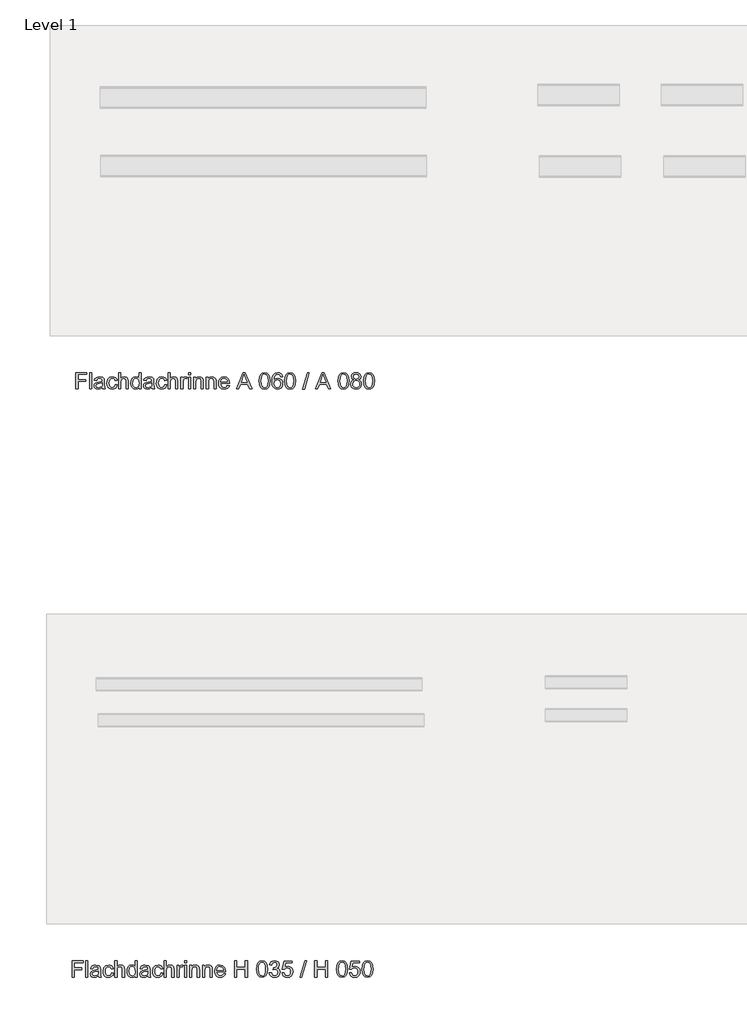
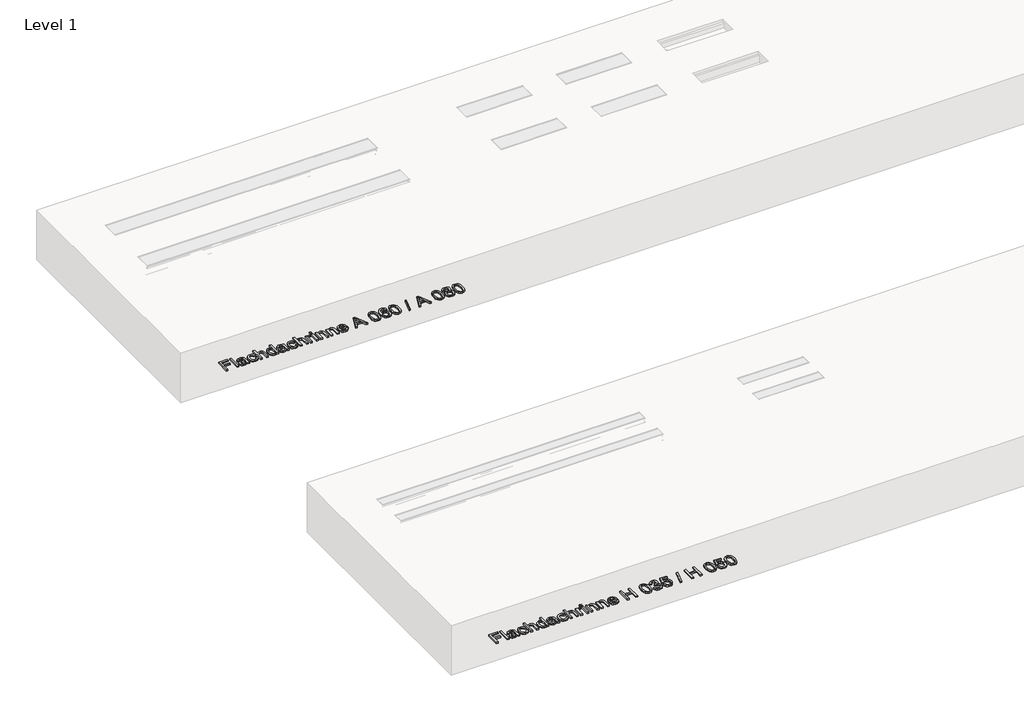
# One storey, part 2 of 3: 2 proxies.
"""IFC4 building model written with IfcOpenShell, lengths in millimetres."""

from ifc_helpers import new_model, si_unit, origin, origin_with_axes, place, context, project, spatial, polyline, outline, extrude, element, save

model = new_model("IFC4")

# Units and contexts
model_context = context("Model", 3, world=origin())
ifc_project = project(units=[si_unit("LENGTHUNIT", "METRE", prefix="MILLI")], contexts=[model_context])

# Site, building, storey
site = spatial("IfcSite", under=ifc_project)
building = spatial("IfcBuilding", under=site)
storey = spatial("IfcBuildingStorey", under=building, Name="Level 1", Elevation=0.0)

# Proxies
placement = place(None, origin())
element("IfcBuildingElementProxy", 1, Name="100mm ACO", ObjectType="100mm ACO", at=placement, inside=storey, context=model_context, shape_type="SweptSolid", body=[
    extrude(outline(polyline([(-10322.786212, 713.7383371), (-10376.8038059, 713.7383371), (-10376.8038059, 682.072851), (-10330.2369146, 682.072851), (-10330.2369146, 670.8967971), (-10376.8038059, 670.8967971), (-10376.8038059, 624.3299057), (-10389.8425355, 624.3299057), (-10389.8425355, 724.914391), (-10322.786212, 724.914391), (-10322.786212, 713.7383371)])), origin_with_axes(), (0.0, 0.0, 1.0), 10.0),
    extrude(outline(polyline([(-10292.9834015, 624.3299057), (-10306.0221311, 624.3299057), (-10306.0221311, 724.914391), (-10292.9834015, 724.914391), (-10292.9834015, 624.3299057)])), origin_with_axes(), (0.0, 0.0, 1.0), 10.0),
    extrude(outline(polyline([(-10211.0256727, 624.3299057), (-10224.0644023, 624.3299057), (-10227.7897536, 633.1194065), (-10240.3555382, 625.1302742), (-10253.8963171, 622.4672301), (-10263.940941, 623.9224454), (-10271.6062879, 628.2880915), (-10276.4630692, 635.0402907), (-10278.0819963, 643.6551656), (-10276.4958115, 652.0117398), (-10271.7372573, 658.7457489), (-10263.0568977, 663.6680148), (-10249.7052968, 666.5893596), (-10238.2964085, 668.3356181), (-10227.7897536, 670.8967971), (-10228.1244531, 678.9732423), (-10230.0744417, 683.877318), (-10235.2695605, 687.9664732), (-10244.9030862, 689.5235536), (-10257.0541344, 686.3657363), (-10263.180591, 674.6221484), (-10276.2193206, 676.2228853), (-10272.6431289, 686.0892454), (-10265.930948, 693.161592), (-10256.0900542, 697.4180969), (-10243.1277234, 698.8369319), (-10223.7588071, 694.9515069), (-10216.1625829, 685.57992), (-10214.751024, 671.4497789), (-10214.751024, 654.8312196), (-10214.1980422, 634.4582046), (-10211.0256727, 624.3299057)]), holes=[polyline([(-10227.7897536, 656.9267297), (-10227.7897536, 661.5834188), (-10251.2041687, 656.2282263), (-10261.5834922, 652.1463472), (-10265.0432667, 643.8588958), (-10261.3179154, 635.1858123), (-10250.5784261, 631.7806083), (-10234.6729222, 637.4850525), (-10229.5105458, 645.1976939), (-10227.7897536, 656.9267297)])]), origin_with_axes(), (0.0, 0.0, 1.0), 10.0),
    extrude(outline(polyline([(-10134.6559709, 648.9230452), (-10138.7087457, 637.0484879), (-10145.9193377, 628.8410733), (-10155.2982007, 624.0606909), (-10165.8557881, 622.4672301), (-10180.255144, 625.0720656), (-10190.9728051, 632.886572), (-10197.6304154, 645.0012398), (-10199.8496188, 660.5065594), (-10194.7854694, 683.3243362), (-10182.1105436, 695.3589672), (-10166.1177269, 698.8369319), (-10155.5055689, 697.4144589), (-10146.5450803, 693.1470399), (-10139.971145, 686.1219877), (-10136.5186465, 676.4266154), (-10149.5573761, 674.6221484), (-10155.4946548, 685.7836502), (-10165.9722053, 689.5235536), (-10174.9799884, 687.6281356), (-10181.5139053, 681.9418816), (-10185.4866432, 672.8576998), (-10186.8108892, 660.7684982), (-10185.4830052, 648.4682904), (-10181.4993532, 639.333176), (-10175.0127307, 633.6687503), (-10166.1759355, 631.7806083), (-10153.5010097, 636.4372975), (-10147.6947005, 650.4073649), (-10134.6559709, 648.9230452)])), origin_with_axes(), (0.0, 0.0, 1.0), 10.0),
    extrude(outline(polyline([(-10067.5996473, 624.3299057), (-10080.6383769, 624.3299057), (-10080.6383769, 671.3042574), (-10084.3491761, 684.9687296), (-10095.4233649, 689.5235536), (-10108.4329902, 684.153809), (-10112.7331516, 676.6776401), (-10114.1665387, 664.9886227), (-10114.1665387, 624.3299057), (-10127.2052683, 624.3299057), (-10127.2052683, 724.914391), (-10114.1665387, 724.914391), (-10114.1665387, 688.8832589), (-10104.4093197, 696.3485136), (-10092.4838299, 698.8369319), (-10079.124953, 695.9556055), (-10070.1753785, 687.093344), (-10067.5996473, 670.4893368), (-10067.5996473, 624.3299057)])), origin_with_axes(), (0.0, 0.0, 1.0), 10.0),
    extrude(outline(polyline([(-9989.3672699, 624.3299057), (-10002.4059995, 624.3299057), (-10002.4059995, 632.5373203), (-10010.8098681, 624.9847526), (-10022.2551369, 622.4672301), (-10034.1915408, 625.1229981), (-10043.9815021, 633.0903022), (-10050.5190571, 645.2922829), (-10052.6982421, 660.652081), (-10050.6100081, 676.484824), (-10044.345306, 688.5922158), (-10034.6535717, 696.2757529), (-10022.2842412, 698.8369319), (-10010.9335614, 696.5376916), (-10002.6679382, 689.6399708), (-10002.4059995, 724.914391), (-9989.3672699, 724.914391), (-9989.3672699, 624.3299057)]), holes=[polyline([(-10020.7417129, 631.7806083), (-10013.6475381, 633.4977625), (-10007.7320877, 638.6492248), (-10003.7375215, 647.293204), (-10002.4059995, 659.4879087), (-10007.2809709, 681.3743476), (-10013.2146115, 687.4862521), (-10021.2655905, 689.5235536), (-10029.2583608, 687.5299086), (-10035.0173756, 681.5489735), (-10039.6595125, 660.6229767), (-10037.1565421, 644.7756815), (-10030.1715084, 635.0402907), (-10020.7417129, 631.7806083)])]), origin_with_axes(), (0.0, 0.0, 1.0), 10.0),
    extrude(outline(polyline([(-9907.4095411, 624.3299057), (-9920.4482707, 624.3299057), (-9924.173622, 633.1194065), (-9936.7394066, 625.1302742), (-9950.2801854, 622.4672301), (-9960.3248094, 623.9224454), (-9967.9901563, 628.2880915), (-9972.8469376, 635.0402907), (-9974.4658646, 643.6551656), (-9972.8796799, 652.0117398), (-9968.1211257, 658.7457489), (-9959.4407661, 663.6680148), (-9946.0891652, 666.5893596), (-9934.6802768, 668.3356181), (-9924.173622, 670.8967971), (-9924.5083215, 678.9732423), (-9926.4583101, 683.877318), (-9931.6534289, 687.9664732), (-9941.2869546, 689.5235536), (-9953.4380028, 686.3657363), (-9959.5644594, 674.6221484), (-9972.603189, 676.2228853), (-9969.0269973, 686.0892454), (-9962.3148164, 693.161592), (-9952.4739226, 697.4180969), (-9939.5115918, 698.8369319), (-9920.1426755, 694.9515069), (-9912.5464513, 685.57992), (-9911.1348924, 671.4497789), (-9911.1348924, 654.8312196), (-9910.5819106, 634.4582046), (-9907.4095411, 624.3299057)]), holes=[polyline([(-9924.173622, 656.9267297), (-9924.173622, 661.5834188), (-9947.588037, 656.2282263), (-9957.9673606, 652.1463472), (-9961.4271351, 643.8588958), (-9957.7017838, 635.1858123), (-9946.9622944, 631.7806083), (-9931.0567906, 637.4850525), (-9925.8944141, 645.1976939), (-9924.173622, 656.9267297)])]), origin_with_axes(), (0.0, 0.0, 1.0), 10.0),
    extrude(outline(polyline([(-9831.0398393, 648.9230452), (-9835.092614, 637.0484879), (-9842.3032061, 628.8410733), (-9851.6820691, 624.0606909), (-9862.2396565, 622.4672301), (-9876.6390124, 625.0720656), (-9887.3566735, 632.886572), (-9894.0142838, 645.0012398), (-9896.2334872, 660.5065594), (-9891.1693377, 683.3243362), (-9878.494412, 695.3589672), (-9862.5015953, 698.8369319), (-9851.8894373, 697.4144589), (-9842.9289487, 693.1470399), (-9836.3550134, 686.1219877), (-9832.9025149, 676.4266154), (-9845.9412445, 674.6221484), (-9851.8785232, 685.7836502), (-9862.3560737, 689.5235536), (-9871.3638568, 687.6281356), (-9877.8977737, 681.9418816), (-9881.8705116, 672.8576998), (-9883.1947576, 660.7684982), (-9881.8668736, 648.4682904), (-9877.8832216, 639.333176), (-9871.3965991, 633.6687503), (-9862.5598039, 631.7806083), (-9849.8848781, 636.4372975), (-9844.0785689, 650.4073649), (-9831.0398393, 648.9230452)])), origin_with_axes(), (0.0, 0.0, 1.0), 10.0),
    extrude(outline(polyline([(-9763.9835157, 624.3299057), (-9777.0222453, 624.3299057), (-9777.0222453, 671.3042574), (-9780.7330445, 684.9687296), (-9791.8072333, 689.5235536), (-9804.8168586, 684.153809), (-9809.11702, 676.6776401), (-9810.5504071, 664.9886227), (-9810.5504071, 624.3299057), (-9823.5891367, 624.3299057), (-9823.5891367, 724.914391), (-9810.5504071, 724.914391), (-9810.5504071, 688.8832589), (-9800.7931881, 696.3485136), (-9788.8676983, 698.8369319), (-9775.5088213, 695.9556055), (-9766.5592469, 687.093344), (-9763.9835157, 670.4893368), (-9763.9835157, 624.3299057)])), origin_with_axes(), (0.0, 0.0, 1.0), 10.0),
    extrude(outline(polyline([(-9706.2405705, 695.9847098), (-9710.3151735, 687.660878), (-9718.8718397, 689.5235536), (-9724.6999772, 687.8864363), (-9728.9128257, 682.9750845), (-9732.3180296, 664.6393711), (-9732.3180296, 624.3299057), (-9745.3567592, 624.3299057), (-9745.3567592, 696.9742562), (-9734.1807053, 696.9742562), (-9734.1807053, 686.2056626), (-9727.2102237, 695.6791146), (-9718.7263182, 698.8369319), (-9706.2405705, 695.9847098)])), origin_with_axes(), (0.0, 0.0, 1.0), 10.0),
    extrude(outline(polyline([(-9685.7511383, 711.8756615), (-9698.7898678, 711.8756615), (-9698.7898678, 724.914391), (-9685.7511383, 724.914391), (-9685.7511383, 711.8756615)])), origin_with_axes(), (0.0, 0.0, 1.0), 10.0),
    extrude(outline(polyline([(-9685.7511383, 624.3299057), (-9698.7898678, 624.3299057), (-9698.7898678, 696.9742562), (-9685.7511383, 696.9742562), (-9685.7511383, 624.3299057)])), origin_with_axes(), (0.0, 0.0, 1.0), 10.0),
    extrude(outline(polyline([(-9607.5187608, 624.3299057), (-9620.5574904, 624.3299057), (-9620.5574904, 669.557999), (-9624.4429154, 685.2452205), (-9635.2551655, 689.5235536), (-9645.3398079, 686.7877488), (-9652.0920071, 679.0751074), (-9654.0856521, 664.9886227), (-9654.0856521, 624.3299057), (-9667.1243817, 624.3299057), (-9667.1243817, 696.9742562), (-9655.9483278, 696.9742562), (-9655.9483278, 686.8750617), (-9645.9946548, 695.8537404), (-9632.6648821, 698.8369319), (-9621.2268894, 696.7705261), (-9612.3791801, 690.5858608), (-9608.3482335, 681.7963601), (-9607.5187608, 669.179643), (-9607.5187608, 624.3299057)])), origin_with_axes(), (0.0, 0.0, 1.0), 10.0),
    extrude(outline(polyline([(-9529.2863833, 624.3299057), (-9542.3251129, 624.3299057), (-9542.3251129, 669.557999), (-9546.2105379, 685.2452205), (-9557.022788, 689.5235536), (-9567.1074304, 686.7877488), (-9573.8596296, 679.0751074), (-9575.8532747, 664.9886227), (-9575.8532747, 624.3299057), (-9588.8920043, 624.3299057), (-9588.8920043, 696.9742562), (-9577.7159503, 696.9742562), (-9577.7159503, 686.8750617), (-9567.7622773, 695.8537404), (-9554.4325047, 698.8369319), (-9542.994512, 696.7705261), (-9534.1468026, 690.5858608), (-9530.1158561, 681.7963601), (-9529.2863833, 669.179643), (-9529.2863833, 624.3299057)])), origin_with_axes(), (0.0, 0.0, 1.0), 10.0),
    extrude(outline(polyline([(-9447.3286545, 657.8580675), (-9501.3462485, 657.8580675), (-9499.2616525, 646.6674614), (-9494.5212885, 638.474599), (-9487.6999665, 633.454106), (-9479.3724967, 631.7806083), (-9467.6289087, 635.4914075), (-9460.3673841, 646.6820136), (-9447.3286545, 645.1685896), (-9451.730681, 635.4914075), (-9458.7084386, 628.3463001), (-9468.0072647, 623.9369976), (-9479.3724967, 622.4672301), (-9494.0447055, 624.9883907), (-9505.1152563, 632.5518725), (-9512.0675476, 644.4810004), (-9514.3849781, 660.0990991), (-9512.1512225, 675.7281121), (-9505.4499558, 688.0974426), (-9494.6886383, 696.1520596), (-9480.2747302, 698.8369319), (-9464.9658646, 695.3589672), (-9452.4655647, 683.5135142), (-9448.6128821, 672.9159084), (-9447.3286545, 657.8580675)]), holes=[polyline([(-9460.3673841, 667.1714458), (-9462.4628942, 677.3870576), (-9467.2360006, 684.2847783), (-9480.5948776, 689.5235536), (-9488.4966969, 687.9664732), (-9494.855988, 683.2952319), (-9501.3462485, 667.1714458), (-9460.3673841, 667.1714458)])]), origin_with_axes(), (0.0, 0.0, 1.0), 10.0),
    extrude(outline(polyline([(-9313.2160075, 624.3299057), (-9326.254737, 624.3299057), (-9326.254737, 672.7594727), (-9378.4096553, 672.7594727), (-9378.4096553, 624.3299057), (-9391.4483849, 624.3299057), (-9391.4483849, 724.914391), (-9378.4096553, 724.914391), (-9378.4096553, 683.9355267), (-9326.254737, 683.9355267), (-9326.254737, 724.914391), (-9313.2160075, 724.914391), (-9313.2160075, 624.3299057)])), origin_with_axes(), (0.0, 0.0, 1.0), 10.0),
    extrude(outline(polyline([(-9223.8366804, 724.914391), (-9209.1553765, 721.7092792), (-9198.6687308, 712.0939438), (-9192.3767434, 696.0683847), (-9190.2794143, 673.6326019), (-9192.4476852, 651.0294695), (-9198.9524978, 635.0839472), (-9209.5100852, 625.6214094), (-9223.8366804, 622.4672301), (-9238.492518, 625.6650658), (-9248.9609735, 635.258573), (-9255.2420467, 651.2477518), (-9257.3357378, 673.6326019), (-9255.167467, 696.2320964), (-9248.6626543, 712.2249132), (-9238.1196191, 721.7420216), (-9223.8366804, 724.914391)]), holes=[polyline([(-9223.8075761, 631.7806083), (-9214.9162102, 634.2290082), (-9208.4987105, 641.5742077), (-9204.6132855, 654.4856059), (-9203.3181439, 673.6326019), (-9205.5882798, 697.992907), (-9212.4423441, 711.2353667), (-9223.9530976, 715.6010128), (-9232.8262732, 713.1089565), (-9239.1892024, 705.6327876), (-9243.0200568, 692.6486286), (-9244.2970083, 673.6326019), (-9241.9832158, 649.4323706), (-9235.1291515, 636.1462544), (-9223.8075761, 631.7806083)])]), origin_with_axes(), (0.0, 0.0, 1.0), 10.0),
    extrude(outline(polyline([(-9131.3431924, 678.2456346), (-9122.96479, 674.9895903), (-9116.9220083, 669.1650908), (-9112.0470368, 653.5506301), (-9114.5863876, 641.1703854), (-9122.20444, 631.2130744), (-9133.3586657, 624.6536911), (-9146.5065364, 622.4672301), (-9158.8576767, 624.3953904), (-9168.8440921, 630.1798715), (-9175.8109356, 639.1294459), (-9179.1033604, 650.5528864), (-9166.0646308, 652.2700405), (-9159.1960143, 636.8884142), (-9146.0699718, 631.7806083), (-9137.9535082, 633.3158605), (-9131.1831187, 637.9216171), (-9126.6101045, 644.7538532), (-9125.0857664, 652.9685439), (-9126.5155155, 660.7721363), (-9130.8047627, 667.1277893), (-9137.4005263, 671.3515519), (-9145.7498244, 672.7594727), (-9154.8885769, 670.8967971), (-9153.4333615, 682.072851), (-9145.51699, 682.5676242), (-9138.9976252, 684.9832817), (-9133.0312422, 690.4839958), (-9130.6737934, 699.3608094), (-9135.4905562, 711.3517839), (-9146.6520579, 715.6010128), (-9158.4538545, 710.7696978), (-9164.2019551, 696.9742562), (-9177.2406847, 699.2152879), (-9173.380726, 710.4677406), (-9166.6321648, 718.4968913), (-9157.6352958, 723.3100161), (-9147.0304139, 724.914391), (-9135.4978323, 723.011697), (-9126.0462085, 717.3036147), (-9119.73785, 708.8451755), (-9117.6350638, 698.6914104), (-9121.0620959, 686.5549143), (-9131.3431924, 678.2456346)])), origin_with_axes(), (0.0, 0.0, 1.0), 10.0),
    extrude(outline(polyline([(-9083.35019, 686.7877488), (-9064.5488076, 691.3862293), (-9052.9943977, 689.1488357), (-9043.0116204, 682.4366548), (-9036.1138996, 671.9991227), (-9033.8146593, 658.5856752), (-9036.1975745, 644.6665403), (-9043.3463199, 633.0029892), (-9054.3586621, 625.1011699), (-9068.3323676, 622.4672301), (-9080.1414402, 624.2862493), (-9090.2479108, 629.7433068), (-9097.5312637, 638.765642), (-9100.8709829, 651.2804941), (-9087.8322533, 652.2700405), (-9081.0218455, 636.8593099), (-9068.186846, 631.7806083), (-9059.5719711, 633.6651122), (-9052.7615633, 639.3186239), (-9048.3304325, 647.7297686), (-9046.8533889, 657.8871718), (-9048.3340705, 667.9136056), (-9052.7761154, 675.5825905), (-9059.5537809, 680.4502859), (-9068.0413245, 682.072851), (-9078.4461143, 679.7081261), (-9086.1442035, 672.6139512), (-9099.0083072, 674.1273752), (-9089.2583644, 723.0517154), (-9037.5400107, 723.0517154), (-9037.5400107, 713.7383371), (-9077.9367889, 713.7383371), (-9083.35019, 686.7877488)])), origin_with_axes(), (0.0, 0.0, 1.0), 10.0),
    extrude(outline(polyline([(-8949.9942549, 724.914391), (-8979.476918, 622.4672301), (-8989.1104436, 622.4672301), (-8959.6277806, 724.914391), (-8949.9942549, 724.914391)])), origin_with_axes(), (0.0, 0.0, 1.0), 10.0),
    extrude(outline(polyline([(-8821.4696348, 624.3299057), (-8834.5083644, 624.3299057), (-8834.5083644, 672.7594727), (-8886.6632827, 672.7594727), (-8886.6632827, 624.3299057), (-8899.7020123, 624.3299057), (-8899.7020123, 724.914391), (-8886.6632827, 724.914391), (-8886.6632827, 683.9355267), (-8834.5083644, 683.9355267), (-8834.5083644, 724.914391), (-8821.4696348, 724.914391), (-8821.4696348, 624.3299057)])), origin_with_axes(), (0.0, 0.0, 1.0), 10.0),
    extrude(outline(polyline([(-8732.0903077, 724.914391), (-8717.4090038, 721.7092792), (-8706.9223581, 712.0939438), (-8700.6303707, 696.0683847), (-8698.5330416, 673.6326019), (-8700.7013125, 651.0294695), (-8707.2061251, 635.0839472), (-8717.7637125, 625.6214094), (-8732.0903077, 622.4672301), (-8746.7461453, 625.6650658), (-8757.2146008, 635.258573), (-8763.4956741, 651.2477518), (-8765.5893652, 673.6326019), (-8763.4210943, 696.2320964), (-8756.9162816, 712.2249132), (-8746.3732464, 721.7420216), (-8732.0903077, 724.914391)]), holes=[polyline([(-8732.0612034, 631.7806083), (-8723.1698376, 634.2290082), (-8716.7523379, 641.5742077), (-8712.8669129, 654.4856059), (-8711.5717712, 673.6326019), (-8713.8419071, 697.992907), (-8720.6959715, 711.2353667), (-8732.2067249, 715.6010128), (-8741.0799005, 713.1089565), (-8747.4428297, 705.6327876), (-8751.2736841, 692.6486286), (-8752.5506356, 673.6326019), (-8750.2368432, 649.4323706), (-8743.3827788, 636.1462544), (-8732.0612034, 631.7806083)])]), origin_with_axes(), (0.0, 0.0, 1.0), 10.0),
    extrude(outline(polyline([(-8669.8361948, 686.7877488), (-8651.0348124, 691.3862293), (-8639.4804025, 689.1488357), (-8629.4976252, 682.4366548), (-8622.5999044, 671.9991227), (-8620.3006641, 658.5856752), (-8622.6835793, 644.6665403), (-8629.8323247, 633.0029892), (-8640.8446669, 625.1011699), (-8654.8183724, 622.4672301), (-8666.627445, 624.2862493), (-8676.7339156, 629.7433068), (-8684.0172684, 638.765642), (-8687.3569877, 651.2804941), (-8674.3182581, 652.2700405), (-8667.5078502, 636.8593099), (-8654.6728508, 631.7806083), (-8646.0579759, 633.6651122), (-8639.2475681, 639.3186239), (-8634.8164373, 647.7297686), (-8633.3393937, 657.8871718), (-8634.8200753, 667.9136056), (-8639.2621202, 675.5825905), (-8646.0397857, 680.4502859), (-8654.5273293, 682.072851), (-8664.9321191, 679.7081261), (-8672.6302083, 672.6139512), (-8685.494312, 674.1273752), (-8675.7443692, 723.0517154), (-8624.0260154, 723.0517154), (-8624.0260154, 713.7383371), (-8664.4227937, 713.7383371), (-8669.8361948, 686.7877488)])), origin_with_axes(), (0.0, 0.0, 1.0), 10.0),
    extrude(outline(polyline([(-8575.6255528, 724.914391), (-8560.9442488, 721.7092792), (-8550.4576032, 712.0939438), (-8544.1656158, 696.0683847), (-8542.0682867, 673.6326019), (-8544.2365575, 651.0294695), (-8550.7413702, 635.0839472), (-8561.2989576, 625.6214094), (-8575.6255528, 622.4672301), (-8590.2813904, 625.6650658), (-8600.7498459, 635.258573), (-8607.0309191, 651.2477518), (-8609.1246102, 673.6326019), (-8606.9563393, 696.2320964), (-8600.4515267, 712.2249132), (-8589.9084915, 721.7420216), (-8575.6255528, 724.914391)]), holes=[polyline([(-8575.5964484, 631.7806083), (-8566.7050826, 634.2290082), (-8560.2875829, 641.5742077), (-8556.4021579, 654.4856059), (-8555.1070162, 673.6326019), (-8557.3771522, 697.992907), (-8564.2312165, 711.2353667), (-8575.74197, 715.6010128), (-8584.6151456, 713.1089565), (-8590.9780747, 705.6327876), (-8594.8089292, 692.6486286), (-8596.0858806, 673.6326019), (-8593.7720882, 649.4323706), (-8586.9180239, 636.1462544), (-8575.5964484, 631.7806083)])]), origin_with_axes(), (0.0, 0.0, 1.0), 10.0),
])
element("IfcBuildingElementProxy", 2, Name="100mm ACO", ObjectType="100mm ACO", at=placement, inside=storey, context=model_context, shape_type="SweptSolid", body=[
    extrude(outline(polyline([(-10299.397685, 4322.653022), (-10353.4152789, 4322.653022), (-10353.4152789, 4290.9875358), (-10306.8483876, 4290.9875358), (-10306.8483876, 4279.8114819), (-10353.4152789, 4279.8114819), (-10353.4152789, 4233.2445906), (-10366.4540085, 4233.2445906), (-10366.4540085, 4333.8290759), (-10299.397685, 4333.8290759), (-10299.397685, 4322.653022)])), origin_with_axes(), (0.0, 0.0, 1.0), 10.0),
    extrude(outline(polyline([(-10269.5948745, 4233.2445906), (-10282.6336041, 4233.2445906), (-10282.6336041, 4333.8290759), (-10269.5948745, 4333.8290759), (-10269.5948745, 4233.2445906)])), origin_with_axes(), (0.0, 0.0, 1.0), 10.0),
    extrude(outline(polyline([(-10187.6371457, 4233.2445906), (-10200.6758753, 4233.2445906), (-10204.4012266, 4242.0340913), (-10216.9670112, 4234.044959), (-10230.5077901, 4231.3819149), (-10240.5524141, 4232.8371303), (-10248.2177609, 4237.2027763), (-10253.0745422, 4243.9549756), (-10254.6934693, 4252.5698505), (-10253.1072845, 4260.9264246), (-10248.3487303, 4267.6604337), (-10239.6683707, 4272.5826996), (-10226.3167698, 4275.5040445), (-10214.9078815, 4277.2503029), (-10204.4012266, 4279.8114819), (-10204.7359261, 4287.8879271), (-10206.6859147, 4292.7920029), (-10211.8810335, 4296.881158), (-10221.5145592, 4298.4382385), (-10233.6656074, 4295.2804211), (-10239.792064, 4283.5368332), (-10252.8307936, 4285.1375701), (-10249.2546019, 4295.0039302), (-10242.5424211, 4302.0762768), (-10232.7015272, 4306.3327818), (-10219.7391964, 4307.7516167), (-10200.3702801, 4303.8661917), (-10192.7740559, 4294.4946048), (-10191.362497, 4280.3644637), (-10191.362497, 4263.7459044), (-10190.8095152, 4243.3728894), (-10187.6371457, 4233.2445906)]), holes=[polyline([(-10204.4012266, 4265.8414145), (-10204.4012266, 4270.4981036), (-10227.8156417, 4265.1429111), (-10238.1949652, 4261.0610321), (-10241.6547397, 4252.7735806), (-10237.9293884, 4244.1004971), (-10227.1898991, 4240.6952932), (-10211.2843952, 4246.3997374), (-10206.1220188, 4254.1123787), (-10204.4012266, 4265.8414145)])]), origin_with_axes(), (0.0, 0.0, 1.0), 10.0),
    extrude(outline(polyline([(-10111.2674439, 4257.8377301), (-10115.3202187, 4245.9631728), (-10122.5308107, 4237.7557582), (-10131.9096737, 4232.9753757), (-10142.4672611, 4231.3819149), (-10156.866617, 4233.9867504), (-10167.5842781, 4241.8012568), (-10174.2418884, 4253.9159247), (-10176.4610918, 4269.4212443), (-10171.3969424, 4292.239021), (-10158.7220166, 4304.273652), (-10142.7291999, 4307.7516167), (-10132.1170419, 4306.3291437), (-10123.1565534, 4302.0617247), (-10116.582618, 4295.0366726), (-10113.1301196, 4285.3413003), (-10126.1688491, 4283.5368332), (-10132.1061278, 4294.698335), (-10142.5836783, 4298.4382385), (-10151.5914614, 4296.5428205), (-10158.1253783, 4290.8565665), (-10162.0981162, 4281.7723846), (-10163.4223622, 4269.683183), (-10162.0944782, 4257.3829753), (-10158.1108262, 4248.2478609), (-10151.6242037, 4242.5834351), (-10142.7874085, 4240.6952932), (-10130.1124827, 4245.3519823), (-10124.3061735, 4259.3220497), (-10111.2674439, 4257.8377301)])), origin_with_axes(), (0.0, 0.0, 1.0), 10.0),
    extrude(outline(polyline([(-10044.2111204, 4233.2445906), (-10057.2498499, 4233.2445906), (-10057.2498499, 4280.2189422), (-10060.9606491, 4293.8834144), (-10072.0348379, 4298.4382385), (-10085.0444632, 4293.0684938), (-10089.3446246, 4285.5923249), (-10090.7780117, 4273.9033076), (-10090.7780117, 4233.2445906), (-10103.8167413, 4233.2445906), (-10103.8167413, 4333.8290759), (-10090.7780117, 4333.8290759), (-10090.7780117, 4297.7979437), (-10081.0207928, 4305.2631985), (-10069.0953029, 4307.7516167), (-10055.736426, 4304.8702903), (-10046.7868515, 4296.0080288), (-10044.2111204, 4279.4040216), (-10044.2111204, 4233.2445906)])), origin_with_axes(), (0.0, 0.0, 1.0), 10.0),
    extrude(outline(polyline([(-9965.9787429, 4233.2445906), (-9979.0174725, 4233.2445906), (-9979.0174725, 4241.4520052), (-9987.4213411, 4233.8994375), (-9998.8666099, 4231.3819149), (-10010.8030138, 4234.0376829), (-10020.5929751, 4242.004987), (-10027.1305301, 4254.2069677), (-10029.3097151, 4269.5667658), (-10027.2214811, 4285.3995089), (-10020.956779, 4297.5069006), (-10011.2650447, 4305.1904377), (-9998.8957142, 4307.7516167), (-9987.5450344, 4305.4523765), (-9979.2794112, 4298.5546557), (-9979.0174725, 4333.8290759), (-9965.9787429, 4333.8290759), (-9965.9787429, 4233.2445906)]), holes=[polyline([(-9997.3531859, 4240.6952932), (-9990.2590111, 4242.4124473), (-9984.3435607, 4247.5639097), (-9980.3489945, 4256.2078889), (-9979.0174725, 4268.4025935), (-9983.8924439, 4290.2890325), (-9989.8260845, 4296.400937), (-9997.8770635, 4298.4382385), (-10005.8698338, 4296.4445934), (-10011.6288486, 4290.4636583), (-10016.2709855, 4269.5376615), (-10013.7680151, 4253.6903663), (-10006.7829814, 4243.9549756), (-9997.3531859, 4240.6952932)])]), origin_with_axes(), (0.0, 0.0, 1.0), 10.0),
    extrude(outline(polyline([(-9884.0210141, 4233.2445906), (-9897.0597437, 4233.2445906), (-9900.785095, 4242.0340913), (-9913.3508796, 4234.044959), (-9926.8916585, 4231.3819149), (-9936.9362824, 4232.8371303), (-9944.6016293, 4237.2027763), (-9949.4584106, 4243.9549756), (-9951.0773377, 4252.5698505), (-9949.4911529, 4260.9264246), (-9944.7325987, 4267.6604337), (-9936.0522391, 4272.5826996), (-9922.7006382, 4275.5040445), (-9911.2917499, 4277.2503029), (-9900.785095, 4279.8114819), (-9901.1197945, 4287.8879271), (-9903.0697831, 4292.7920029), (-9908.2649019, 4296.881158), (-9917.8984276, 4298.4382385), (-9930.0494758, 4295.2804211), (-9936.1759324, 4283.5368332), (-9949.214662, 4285.1375701), (-9945.6384703, 4295.0039302), (-9938.9262894, 4302.0762768), (-9929.0853956, 4306.3327818), (-9916.1230648, 4307.7516167), (-9896.7541485, 4303.8661917), (-9889.1579243, 4294.4946048), (-9887.7463654, 4280.3644637), (-9887.7463654, 4263.7459044), (-9887.1933836, 4243.3728894), (-9884.0210141, 4233.2445906)]), holes=[polyline([(-9900.785095, 4265.8414145), (-9900.785095, 4270.4981036), (-9924.1995101, 4265.1429111), (-9934.5788336, 4261.0610321), (-9938.0386081, 4252.7735806), (-9934.3132568, 4244.1004971), (-9923.5737674, 4240.6952932), (-9907.6682636, 4246.3997374), (-9902.5058872, 4254.1123787), (-9900.785095, 4265.8414145)])]), origin_with_axes(), (0.0, 0.0, 1.0), 10.0),
    extrude(outline(polyline([(-9807.6513123, 4257.8377301), (-9811.7040871, 4245.9631728), (-9818.9146791, 4237.7557582), (-9828.2935421, 4232.9753757), (-9838.8511295, 4231.3819149), (-9853.2504854, 4233.9867504), (-9863.9681465, 4241.8012568), (-9870.6257568, 4253.9159247), (-9872.8449602, 4269.4212443), (-9867.7808107, 4292.239021), (-9855.105885, 4304.273652), (-9839.1130683, 4307.7516167), (-9828.5009103, 4306.3291437), (-9819.5404217, 4302.0617247), (-9812.9664864, 4295.0366726), (-9809.5139879, 4285.3413003), (-9822.5527175, 4283.5368332), (-9828.4899962, 4294.698335), (-9838.9675467, 4298.4382385), (-9847.9753298, 4296.5428205), (-9854.5092467, 4290.8565665), (-9858.4819846, 4281.7723846), (-9859.8062306, 4269.683183), (-9858.4783466, 4257.3829753), (-9854.4946946, 4248.2478609), (-9848.0080721, 4242.5834351), (-9839.1712769, 4240.6952932), (-9826.4963511, 4245.3519823), (-9820.6900419, 4259.3220497), (-9807.6513123, 4257.8377301)])), origin_with_axes(), (0.0, 0.0, 1.0), 10.0),
    extrude(outline(polyline([(-9740.5949887, 4233.2445906), (-9753.6337183, 4233.2445906), (-9753.6337183, 4280.2189422), (-9757.3445175, 4293.8834144), (-9768.4187063, 4298.4382385), (-9781.4283316, 4293.0684938), (-9785.728493, 4285.5923249), (-9787.1618801, 4273.9033076), (-9787.1618801, 4233.2445906), (-9800.2006097, 4233.2445906), (-9800.2006097, 4333.8290759), (-9787.1618801, 4333.8290759), (-9787.1618801, 4297.7979437), (-9777.4046611, 4305.2631985), (-9765.4791713, 4307.7516167), (-9752.1202944, 4304.8702903), (-9743.1707199, 4296.0080288), (-9740.5949887, 4279.4040216), (-9740.5949887, 4233.2445906)])), origin_with_axes(), (0.0, 0.0, 1.0), 10.0),
    extrude(outline(polyline([(-9682.8520435, 4304.8993946), (-9686.9266465, 4296.5755628), (-9695.4833127, 4298.4382385), (-9701.3114502, 4296.8011212), (-9705.5242987, 4291.8897694), (-9708.9295026, 4273.5540559), (-9708.9295026, 4233.2445906), (-9721.9682322, 4233.2445906), (-9721.9682322, 4305.8889411), (-9710.7921783, 4305.8889411), (-9710.7921783, 4295.1203474), (-9703.8216967, 4304.5937994), (-9695.3377912, 4307.7516167), (-9682.8520435, 4304.8993946)])), origin_with_axes(), (0.0, 0.0, 1.0), 10.0),
    extrude(outline(polyline([(-9662.3626113, 4320.7903463), (-9675.4013409, 4320.7903463), (-9675.4013409, 4333.8290759), (-9662.3626113, 4333.8290759), (-9662.3626113, 4320.7903463)])), origin_with_axes(), (0.0, 0.0, 1.0), 10.0),
    extrude(outline(polyline([(-9662.3626113, 4233.2445906), (-9675.4013409, 4233.2445906), (-9675.4013409, 4305.8889411), (-9662.3626113, 4305.8889411), (-9662.3626113, 4233.2445906)])), origin_with_axes(), (0.0, 0.0, 1.0), 10.0),
    extrude(outline(polyline([(-9584.1302338, 4233.2445906), (-9597.1689634, 4233.2445906), (-9597.1689634, 4278.4726838), (-9601.0543884, 4294.1599053), (-9611.8666385, 4298.4382385), (-9621.9512809, 4295.7024336), (-9628.7034801, 4287.9897922), (-9630.6971252, 4273.9033076), (-9630.6971252, 4233.2445906), (-9643.7358547, 4233.2445906), (-9643.7358547, 4305.8889411), (-9632.5598008, 4305.8889411), (-9632.5598008, 4295.7897465), (-9622.6061278, 4304.7684252), (-9609.2763551, 4307.7516167), (-9597.8383624, 4305.6852109), (-9588.9906531, 4299.5005457), (-9584.9597066, 4290.7110449), (-9584.1302338, 4278.0943278), (-9584.1302338, 4233.2445906)])), origin_with_axes(), (0.0, 0.0, 1.0), 10.0),
    extrude(outline(polyline([(-9505.8978563, 4233.2445906), (-9518.9365859, 4233.2445906), (-9518.9365859, 4278.4726838), (-9522.8220109, 4294.1599053), (-9533.634261, 4298.4382385), (-9543.7189034, 4295.7024336), (-9550.4711026, 4287.9897922), (-9552.4647477, 4273.9033076), (-9552.4647477, 4233.2445906), (-9565.5034773, 4233.2445906), (-9565.5034773, 4305.8889411), (-9554.3274233, 4305.8889411), (-9554.3274233, 4295.7897465), (-9544.3737503, 4304.7684252), (-9531.0439777, 4307.7516167), (-9519.605985, 4305.6852109), (-9510.7582756, 4299.5005457), (-9506.7273291, 4290.7110449), (-9505.8978563, 4278.0943278), (-9505.8978563, 4233.2445906)])), origin_with_axes(), (0.0, 0.0, 1.0), 10.0),
    extrude(outline(polyline([(-9423.9401276, 4266.7727523), (-9477.9577215, 4266.7727523), (-9475.8731255, 4255.5821463), (-9471.1327615, 4247.3892838), (-9464.3114395, 4242.3687908), (-9455.9839697, 4240.6952932), (-9444.2403818, 4244.4060923), (-9436.9788571, 4255.5966984), (-9423.9401276, 4254.0832744), (-9428.342154, 4244.4060923), (-9435.3199116, 4237.2609849), (-9444.6187377, 4232.8516824), (-9455.9839697, 4231.3819149), (-9470.6561785, 4233.9030755), (-9481.7267293, 4241.4665573), (-9488.6790206, 4253.3956852), (-9490.9964511, 4269.013784), (-9488.7626955, 4284.6427969), (-9482.0614288, 4297.0121274), (-9471.3001113, 4305.0667444), (-9456.8862032, 4307.7516167), (-9441.5773377, 4304.273652), (-9429.0770378, 4292.428199), (-9425.2243551, 4281.8305932), (-9423.9401276, 4266.7727523)]), holes=[polyline([(-9436.9788571, 4276.0861306), (-9439.0743672, 4286.3017424), (-9443.8474736, 4293.1994632), (-9457.2063506, 4298.4382385), (-9465.1081699, 4296.881158), (-9471.467461, 4292.2099167), (-9477.9577215, 4276.0861306), (-9436.9788571, 4276.0861306)])]), origin_with_axes(), (0.0, 0.0, 1.0), 10.0),
    extrude(outline(polyline([(-9285.6364602, 4233.2445906), (-9299.5192147, 4233.2445906), (-9311.5683979, 4263.047401), (-9354.2353121, 4263.047401), (-9365.8188263, 4233.2445906), (-9379.7015808, 4233.2445906), (-9340.6144963, 4333.8290759), (-9326.3533859, 4333.8290759), (-9285.6364602, 4233.2445906)]), holes=[polyline([(-9316.1086698, 4274.223455), (-9330.6171669, 4311.098612), (-9333.6003583, 4322.8276478), (-9338.2861518, 4304.1426826), (-9349.8987703, 4274.223455), (-9316.1086698, 4274.223455)])]), origin_with_axes(), (0.0, 0.0, 1.0), 10.0),
    extrude(outline(polyline([(-9207.898856, 4333.8290759), (-9193.2175521, 4330.6239641), (-9182.7309064, 4321.0086286), (-9176.438919, 4304.9830695), (-9174.3415899, 4282.5472868), (-9176.5098608, 4259.9441543), (-9183.0146734, 4243.998632), (-9193.5722608, 4234.5360942), (-9207.898856, 4231.3819149), (-9222.5546936, 4234.5797507), (-9233.0231491, 4244.1732579), (-9239.3042224, 4260.1624366), (-9241.3979135, 4282.5472868), (-9239.2296426, 4305.1467812), (-9232.7248299, 4321.139598), (-9222.1817947, 4330.6567064), (-9207.898856, 4333.8290759)]), holes=[polyline([(-9207.8697517, 4240.6952932), (-9198.9783859, 4243.143693), (-9192.5608862, 4250.4888925), (-9188.6754612, 4263.4002908), (-9187.3803195, 4282.5472868), (-9189.6504554, 4306.9075918), (-9196.5045198, 4320.1500515), (-9208.0152732, 4324.5156976), (-9216.8884488, 4322.0236413), (-9223.251378, 4314.5474724), (-9227.0822324, 4301.5633134), (-9228.3591839, 4282.5472868), (-9226.0453915, 4258.3470554), (-9219.1913271, 4245.0609392), (-9207.8697517, 4240.6952932)])]), origin_with_axes(), (0.0, 0.0, 1.0), 10.0),
    extrude(outline(polyline([(-9150.2577758, 4285.1084658), (-9139.7875013, 4295.1057953), (-9125.82471, 4298.4382385), (-9114.3794412, 4296.1499123), (-9104.782296, 4289.2849339), (-9098.2774833, 4278.8619539), (-9096.1092124, 4265.8996231), (-9098.2847594, 4252.5989548), (-9104.8114003, 4241.4520052), (-9114.9469752, 4233.8994375), (-9127.9493244, 4231.3819149), (-9141.4828272, 4234.048597), (-9152.8626113, 4242.0486435), (-9160.5898048, 4256.8736499), (-9163.165536, 4280.0152121), (-9160.8371914, 4303.4951118), (-9153.8521577, 4320.3246774), (-9142.4578215, 4330.4529763), (-9126.9015693, 4333.8290759), (-9116.3694482, 4332.2538053), (-9107.5908616, 4327.5279934), (-9101.2352085, 4319.7098489), (-9097.9718881, 4308.8575804), (-9111.0106177, 4307.7516167), (-9116.8533073, 4320.3246774), (-9127.7455943, 4324.5156976), (-9136.3786593, 4322.1436966), (-9143.7093067, 4315.0276935), (-9148.7188856, 4302.8038845), (-9150.2577758, 4285.1084658)]), holes=[polyline([(-9128.0657416, 4240.6952932), (-9120.425861, 4242.5033983), (-9114.3867173, 4247.9277135), (-9109.147942, 4265.4048499), (-9114.3867173, 4282.4017652), (-9120.5277261, 4287.4440864), (-9128.4732019, 4289.1248602), (-9136.0039414, 4287.5423135), (-9142.414165, 4282.7946734), (-9146.8016393, 4275.464026), (-9148.2641308, 4266.1324576), (-9146.8271056, 4256.3679625), (-9142.5160301, 4248.1459958), (-9136.0294077, 4242.5579688), (-9128.0657416, 4240.6952932)])]), origin_with_axes(), (0.0, 0.0, 1.0), 10.0),
    extrude(outline(polyline([(-9051.434101, 4333.8290759), (-9036.7527971, 4330.6239641), (-9026.2661515, 4321.0086286), (-9019.9741641, 4304.9830695), (-9017.876835, 4282.5472868), (-9020.0451058, 4259.9441543), (-9026.5499185, 4243.998632), (-9037.1075059, 4234.5360942), (-9051.434101, 4231.3819149), (-9066.0899387, 4234.5797507), (-9076.5583941, 4244.1732579), (-9082.8394674, 4260.1624366), (-9084.9331585, 4282.5472868), (-9082.7648876, 4305.1467812), (-9076.260075, 4321.139598), (-9065.7170398, 4330.6567064), (-9051.434101, 4333.8290759)]), holes=[polyline([(-9051.4049967, 4240.6952932), (-9042.5136309, 4243.143693), (-9036.0961312, 4250.4888925), (-9032.2107062, 4263.4002908), (-9030.9155645, 4282.5472868), (-9033.1857005, 4306.9075918), (-9040.0397648, 4320.1500515), (-9051.5505183, 4324.5156976), (-9060.4236939, 4322.0236413), (-9066.786623, 4314.5474724), (-9070.6174775, 4301.5633134), (-9071.8944289, 4282.5472868), (-9069.5806365, 4258.3470554), (-9062.7265722, 4245.0609392), (-9051.4049967, 4240.6952932)])]), origin_with_axes(), (0.0, 0.0, 1.0), 10.0),
    extrude(outline(polyline([(-8934.0564305, 4333.8290759), (-8963.5390936, 4231.3819149), (-8973.1726193, 4231.3819149), (-8943.6899562, 4333.8290759), (-8934.0564305, 4333.8290759)])), origin_with_axes(), (0.0, 0.0, 1.0), 10.0),
    extrude(outline(polyline([(-8801.3407902, 4233.2445906), (-8815.2235447, 4233.2445906), (-8827.2727278, 4263.047401), (-8869.939642, 4263.047401), (-8881.5231562, 4233.2445906), (-8895.4059107, 4233.2445906), (-8856.3188263, 4333.8290759), (-8842.0577158, 4333.8290759), (-8801.3407902, 4233.2445906)]), holes=[polyline([(-8831.8129997, 4274.223455), (-8846.3214968, 4311.098612), (-8849.3046883, 4322.8276478), (-8853.9904817, 4304.1426826), (-8865.6031002, 4274.223455), (-8831.8129997, 4274.223455)])]), origin_with_axes(), (0.0, 0.0, 1.0), 10.0),
    extrude(outline(polyline([(-8723.6031859, 4333.8290759), (-8708.921882, 4330.6239641), (-8698.4352364, 4321.0086286), (-8692.143249, 4304.9830695), (-8690.0459199, 4282.5472868), (-8692.2141907, 4259.9441543), (-8698.7190034, 4243.998632), (-8709.2765908, 4234.5360942), (-8723.6031859, 4231.3819149), (-8738.2590236, 4234.5797507), (-8748.727479, 4244.1732579), (-8755.0085523, 4260.1624366), (-8757.1022434, 4282.5472868), (-8754.9339725, 4305.1467812), (-8748.4291599, 4321.139598), (-8737.8861246, 4330.6567064), (-8723.6031859, 4333.8290759)]), holes=[polyline([(-8723.5740816, 4240.6952932), (-8714.6827158, 4243.143693), (-8708.2652161, 4250.4888925), (-8704.3797911, 4263.4002908), (-8703.0846494, 4282.5472868), (-8705.3547854, 4306.9075918), (-8712.2088497, 4320.1500515), (-8723.7196032, 4324.5156976), (-8732.5927788, 4322.0236413), (-8738.9557079, 4314.5474724), (-8742.7865623, 4301.5633134), (-8744.0635138, 4282.5472868), (-8741.7497214, 4258.3470554), (-8734.8956571, 4245.0609392), (-8723.5740816, 4240.6952932)])]), origin_with_axes(), (0.0, 0.0, 1.0), 10.0),
    extrude(outline(polyline([(-8630.6731334, 4288.4700133), (-8616.5284401, 4278.7418986), (-8611.8135424, 4262.2324804), (-8614.1600771, 4250.154193), (-8621.1996814, 4240.2296243), (-8631.9209805, 4233.5938422), (-8645.3125998, 4231.3819149), (-8658.8024462, 4233.6083944), (-8669.5273834, 4240.2878329), (-8676.5342453, 4250.3288188), (-8678.8698659, 4262.6399407), (-8673.660195, 4279.5640953), (-8667.5482905, 4285.3740426), (-8659.6319189, 4288.3390439), (-8671.2663657, 4295.840679), (-8675.1445146, 4308.4792244), (-8673.099937, 4318.4147072), (-8666.9662043, 4326.5675513), (-8657.5218567, 4332.0136947), (-8645.5454343, 4333.8290759), (-8633.3907481, 4331.9554861), (-8623.8190691, 4326.3347168), (-8617.6089375, 4318.0581795), (-8615.5388937, 4308.2172856), (-8619.3224536, 4296.0807896), (-8630.6731334, 4288.4700133)]), holes=[polyline([(-8645.3125998, 4292.8502115), (-8633.3943861, 4297.2740662), (-8628.5776233, 4308.3628072), (-8633.4671469, 4319.8444563), (-8645.4581214, 4324.5156976), (-8657.3908873, 4319.9172171), (-8662.105785, 4309.0613105), (-8657.2599179, 4297.2158576), (-8645.3125998, 4292.8502115)]), polyline([(-8645.2834955, 4240.6952932), (-8637.272535, 4242.1723368), (-8630.7022377, 4246.6034675), (-8626.3147634, 4253.3993232), (-8624.852272, 4261.9705417), (-8626.3547818, 4270.5781405), (-8630.8623114, 4277.4831373), (-8637.5381118, 4282.0234093), (-8645.5454343, 4283.5368332), (-8653.7201066, 4281.9761148), (-8660.1994529, 4277.2939594), (-8665.8311364, 4262.2615847), (-8664.379559, 4253.8358878), (-8660.0248271, 4246.8945106), (-8653.4363396, 4242.2450975), (-8645.2834955, 4240.6952932)])]), origin_with_axes(), (0.0, 0.0, 1.0), 10.0),
    extrude(outline(polyline([(-8567.138431, 4333.8290759), (-8552.4571271, 4330.6239641), (-8541.9704814, 4321.0086286), (-8535.678494, 4304.9830695), (-8533.5811649, 4282.5472868), (-8535.7494358, 4259.9441543), (-8542.2542484, 4243.998632), (-8552.8118358, 4234.5360942), (-8567.138431, 4231.3819149), (-8581.7942686, 4234.5797507), (-8592.2627241, 4244.1732579), (-8598.5437974, 4260.1624366), (-8600.6374885, 4282.5472868), (-8598.4692176, 4305.1467812), (-8591.9644049, 4321.139598), (-8581.4213697, 4330.6567064), (-8567.138431, 4333.8290759)]), holes=[polyline([(-8567.1093267, 4240.6952932), (-8558.2179609, 4243.143693), (-8551.8004612, 4250.4888925), (-8547.9150362, 4263.4002908), (-8546.6198945, 4282.5472868), (-8548.8900304, 4306.9075918), (-8555.7440948, 4320.1500515), (-8567.2548482, 4324.5156976), (-8576.1280238, 4322.0236413), (-8582.490953, 4314.5474724), (-8586.3218074, 4301.5633134), (-8587.5987589, 4282.5472868), (-8585.2849665, 4258.3470554), (-8578.4309021, 4245.0609392), (-8567.1093267, 4240.6952932)])]), origin_with_axes(), (0.0, 0.0, 1.0), 10.0),
])

save(model, "model.ifc")
